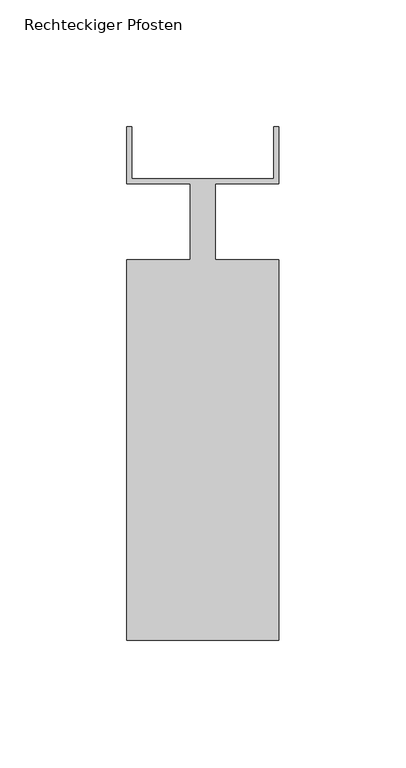
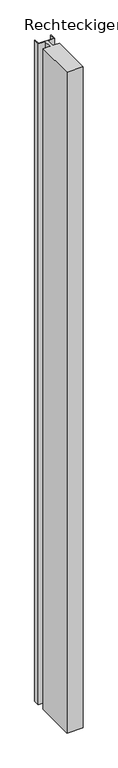
"""IFC4 building model written with IfcOpenShell, lengths in millimetres: member geometry, Rechteckiger Pfosten."""

from ifc_helpers import new_model, si_unit, frame, origin, place, context, project, spatial, polyline, outline, extrude, source, transform, mapped, element, save


def rechteckiger_pfosten_d6adaeec(model_context):
    return source(origin(), model_context, "Body", "SweptSolid", [
        extrude(outline(polyline([(-2.0, 37.5), (0.0, 37.5), (0.0, 15.0), (-25.0, 15.0), (-25.0, -15.0), (0.0, -15.0), (0.0, -165.0), (-60.0, -165.0), (-60.0, -15.0), (-35.0, -15.0), (-35.0, 15.0), (-60.0, 15.0), (-60.0, 37.5), (-58.0, 37.5), (-58.0, 17.0), (-2.0, 17.0), (-2.0, 37.5)])), frame((0.0, 0.0, -2544.9999997), z_axis=(0.0, 0.0, 1.0), x_axis=(1.0, 0.0, 0.0)), (0.0, 0.0, 1.0), 2544.9999997),
    ])


if __name__ == "__main__":
    model = new_model("IFC4")
    model_context = context("Model", 3, world=origin())
    ifc_project = project(units=[si_unit("LENGTHUNIT", "METRE", prefix="MILLI")], contexts=[model_context])
    site = spatial("IfcSite", under=ifc_project)
    building = spatial("IfcBuilding", under=site)
    placement = place(None, origin())
    rechteckiger_pfosten_shape = rechteckiger_pfosten_d6adaeec(model_context)
    element("IfcMember", 1, ObjectType="Rechteckiger Pfosten", at=placement, inside=building, context=model_context, shape_type="MappedRepresentation", body=[
        mapped(rechteckiger_pfosten_shape, transform((0.0, 0.0, 0.0), x_axis=(1.0, 0.0, 0.0), y_axis=(0.0, 1.0, 0.0), z_axis=(0.0, 0.0, 1.0))),
    ])
    save(model, "model.ifc")
